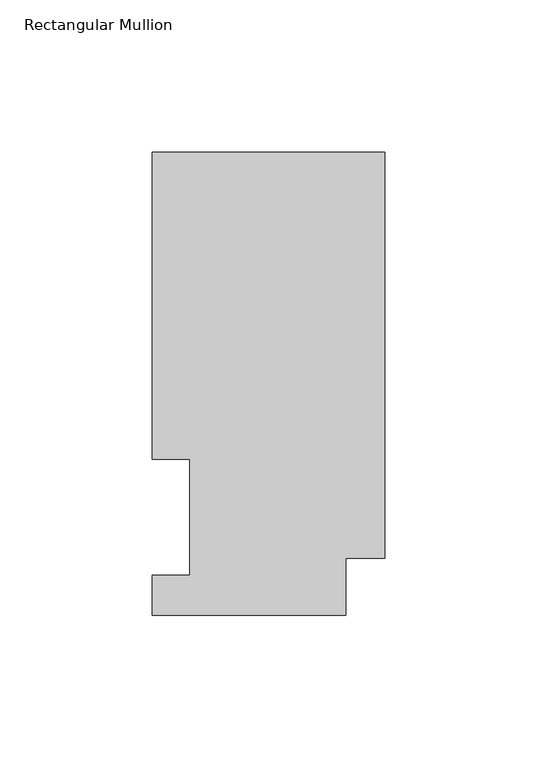
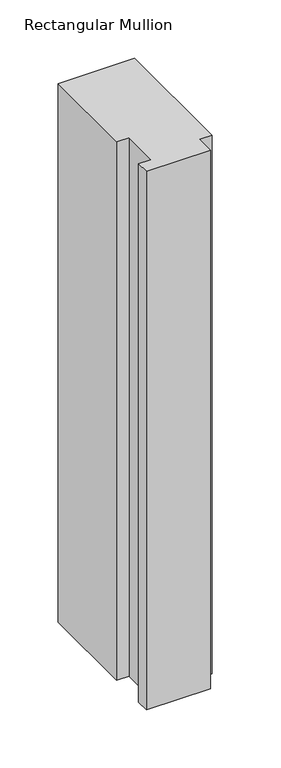
"""IFC4 building model written with IfcOpenShell, lengths in millimetres: member geometry, Rectangular Mullion."""

import ifcopenshell
import ifcopenshell.guid

model = None  # the IFC model being written
_history = None  # IfcOwnerHistory: only IFC2X3 demands one
_inside = {}  # id of a spatial element -> (the spatial element, [elements in it])
_under = {}  # id of a project, library or spatial element -> (it, [spatial elements below it])
_declared = {}  # id of a project -> (the project, [libraries it declares])
_typed = {}  # id of a type object -> (the type object, [elements of that type])
_made_of = {}  # id of a material, layer set ... -> (it, [elements and type objects made of it])


def new_model(schema):
    """Start an empty IFC model of exactly this schema.

    Asked for "IFC4X3", IfcOpenShell would pick the latest addendum, in which some entities
    have other attributes; the version numbers below select the first issue.
    IFC2X3 requires an IfcOwnerHistory on every rooted entity: one is made here for all.
    """
    global model, _history
    if schema == "IFC4X3":
        model = ifcopenshell.file(schema_version=(4, 3, 0, 0))
    else:
        model = ifcopenshell.file(schema=schema)
    _inside.clear()
    _under.clear()
    _declared.clear()
    _typed.clear()
    _made_of.clear()
    _history = None
    if model.schema == "IFC2X3":
        org = make("IfcOrganization", Name="unknown")
        user = make(
            "IfcPersonAndOrganization",
            ThePerson=make("IfcPerson", FamilyName="unknown"),
            TheOrganization=org,
        )
        app = make(
            "IfcApplication",
            ApplicationDeveloper=org,
            Version="unknown",
            ApplicationFullName="unknown",
            ApplicationIdentifier="unknown",
        )
        _history = make(
            "IfcOwnerHistory",
            OwningUser=user,
            OwningApplication=app,
            ChangeAction="ADDED",
            CreationDate=0,
        )
    return model


def make(cls, **values):
    """One entity of the class cls with the attributes given. An attribute that is None is left unset."""
    return model.create_entity(
        cls, **{name: value for name, value in values.items() if value is not None}
    )


def rooted(cls, **values):
    """An entity with a GlobalId (a new one), such as an element, a storey or a relation."""
    return make(cls, GlobalId=ifcopenshell.guid.new(), OwnerHistory=_history, **values)


def si_unit(unit_type, name, prefix=None):
    """IfcSIUnit, for example si_unit("LENGTHUNIT", "METRE", prefix="MILLI")."""
    return make("IfcSIUnit", UnitType=unit_type, Prefix=prefix, Name=name)


def assignment(units):
    """IfcUnitAssignment: the units of a project."""
    return None if units is None else make("IfcUnitAssignment", Units=units)


def point(xyz):
    """IfcCartesianPoint."""
    return None if xyz is None else make("IfcCartesianPoint", Coordinates=xyz)


def direction(xyz):
    """IfcDirection."""
    return None if xyz is None else make("IfcDirection", DirectionRatios=xyz)


def frame(location, z_axis=None, x_axis=None):
    """IfcAxis2Placement3D, a coordinate frame: its origin and axes. An axis left out is left unset."""
    return make(
        "IfcAxis2Placement3D",
        Location=point(location),
        Axis=direction(z_axis),
        RefDirection=direction(x_axis),
    )


def origin():
    """The frame at (0, 0, 0) with its axes left unset."""
    return frame((0.0, 0.0, 0.0))


def place(relative_to, where):
    """IfcLocalPlacement: puts the frame where relative to a parent placement (None: the world)."""
    return make(
        "IfcLocalPlacement", PlacementRelTo=relative_to, RelativePlacement=where
    )


def context(
    kind, dimensions, precision=None, world=None, true_north=None, identifier=None
):
    """IfcGeometricRepresentationContext, for example the 3D "Model" context."""
    return make(
        "IfcGeometricRepresentationContext",
        ContextIdentifier=identifier,
        ContextType=kind,
        CoordinateSpaceDimension=dimensions,
        Precision=precision,
        WorldCoordinateSystem=world,
        TrueNorth=true_north,
    )


def project(units=None, contexts=None):
    """IfcProject with its units and contexts."""
    return rooted(
        "IfcProject",
        Name="project",
        RepresentationContexts=contexts,
        UnitsInContext=assignment(units),
    )


def spatial(cls, under=None, at=None, **own):
    """A site, building, storey or space (cls), placed at a placement, below another one or the project."""
    s = rooted(cls, ObjectPlacement=at, **own)
    if under is not None:
        _under.setdefault(under.id(), (under, []))[1].append(s)
    return s


def polyline(points):
    """IfcPolyline through the points."""
    return make("IfcPolyline", Points=[point(p) for p in points])


def outline(outer, holes=None, kind="AREA"):
    """IfcArbitraryClosedProfileDef: a profile drawn as a closed curve; with holes, ...WithVoids."""
    if holes is None:
        return make("IfcArbitraryClosedProfileDef", ProfileType=kind, OuterCurve=outer)
    return make(
        "IfcArbitraryProfileDefWithVoids",
        ProfileType=kind,
        OuterCurve=outer,
        InnerCurves=holes,
    )


def extrude(swept, where, along, depth):
    """IfcExtrudedAreaSolid: the profile swept, set in the frame where, extruded along a direction by depth."""
    return make(
        "IfcExtrudedAreaSolid",
        SweptArea=swept,
        Position=where,
        ExtrudedDirection=direction(along),
        Depth=depth,
    )


def shape(context_of_items, identifier, shape_type, items):
    """IfcShapeRepresentation: the items that make up one representation, for example the "Body"."""
    return make(
        "IfcShapeRepresentation",
        ContextOfItems=context_of_items,
        RepresentationIdentifier=identifier,
        RepresentationType=shape_type,
        Items=items,
    )


def source(mapping_origin, context_of_items, identifier, shape_type, items):
    """IfcRepresentationMap: a shape defined once, which mapped items show again and again."""
    return make(
        "IfcRepresentationMap",
        MappingOrigin=mapping_origin,
        MappedRepresentation=shape(context_of_items, identifier, shape_type, items),
    )


def transform(
    local_origin,
    x_axis=None,
    y_axis=None,
    z_axis=None,
    scale=None,
    scale2=None,
    scale3=None,
    uniform=True,
):
    """IfcCartesianTransformationOperator3D, or its non-uniform kind. x_axis, y_axis, z_axis: its Axis1, 2, 3."""
    if uniform:
        return make(
            "IfcCartesianTransformationOperator3D",
            Axis1=direction(x_axis),
            Axis2=direction(y_axis),
            LocalOrigin=point(local_origin),
            Scale=scale,
            Axis3=direction(z_axis),
        )
    return make(
        "IfcCartesianTransformationOperator3DnonUniform",
        Axis1=direction(x_axis),
        Axis2=direction(y_axis),
        LocalOrigin=point(local_origin),
        Scale=scale,
        Axis3=direction(z_axis),
        Scale2=scale2,
        Scale3=scale3,
    )


def mapped(mapping_source, mapping_target):
    """IfcMappedItem: shows the shape of a source again, moved by a transform."""
    return make(
        "IfcMappedItem", MappingSource=mapping_source, MappingTarget=mapping_target
    )


def made_of(thing, what):
    """Note that an element or type object is made of a material, layer set ...; save() writes the relation."""
    if what is not None:
        _made_of.setdefault(what.id(), (what, []))[1].append(thing)
    return thing


def element(
    cls,
    number,
    at=None,
    inside=None,
    cuts=None,
    type_object=None,
    material=None,
    context=None,
    identifier="Body",
    shape_type=None,
    held_by="IfcProductDefinitionShape",
    body=None,
    shapes=None,
    **own,
):
    """One element of the class cls, such as IfcWall. Its Tag is "e" and its number.

    at: its placement. inside: the storey or other place that contains it. cuts: it is an
    opening in that element (IfcRelVoidsElement). A single representation is given by context,
    identifier, shape_type and body (its items); several are given by shapes. held_by: the class
    of the entity that holds the representations. save() writes the other relations.
    """
    e = rooted(cls, Tag="e%d" % number, ObjectPlacement=at, **own)
    if body is not None:
        shapes = [shape(context, identifier, shape_type, body)]
    if shapes is not None:
        e.Representation = make(held_by, Representations=shapes)
    if inside is not None:
        _inside.setdefault(inside.id(), (inside, []))[1].append(e)
    if cuts is not None:
        rooted(
            "IfcRelVoidsElement", RelatingBuildingElement=cuts, RelatedOpeningElement=e
        )
    if type_object is not None:
        _typed.setdefault(type_object.id(), (type_object, []))[1].append(e)
    return made_of(e, material)


def aggregate(whole, parts):
    """IfcRelAggregates: a whole, such as a stair, and the parts it consists of."""
    return rooted("IfcRelAggregates", RelatingObject=whole, RelatedObjects=parts)


def save(model, path):
    """Write the relations noted so far, then the file.

    IfcRelAggregates (storeys below a building ...), IfcRelContainedInSpatialStructure (elements
    in a storey), IfcRelDefinesByType, IfcRelAssociatesMaterial and IfcRelDeclares: one each for
    every whole, place, type object, material and project.
    """
    for whole, parts in _under.values():
        aggregate(whole, parts)
    for where, things in _inside.values():
        rooted(
            "IfcRelContainedInSpatialStructure",
            RelatedElements=things,
            RelatingStructure=where,
        )
    for kind, things in _typed.values():
        rooted("IfcRelDefinesByType", RelatedObjects=things, RelatingType=kind)
    for what, things in _made_of.values():
        rooted("IfcRelAssociatesMaterial", RelatedObjects=things, RelatingMaterial=what)
    for by, libraries in _declared.values():
        rooted("IfcRelDeclares", RelatingContext=by, RelatedDefinitions=libraries)
    model.write(path)


def rectangular_mullion_ff895f1d(model_context):
    return source(origin(), model_context, "Body", "SweptSolid", [
        extrude(outline(polyline([(-76.2, 151.9816937), (0.0, 151.9816937), (0.0, 18.7332937), (-12.7, 18.7332937), (-12.7, 0.0134937), (-76.2, 0.0134937), (-76.2, 13.1960938), (-63.8581605, 13.1960937), (-63.8581605, 51.2960938), (-76.2, 51.2960938), (-76.2, 151.9816937)])), frame((0.0, 0.0, -565.15), z_axis=(0.0, 0.0, 1.0), x_axis=(1.0, 0.0, 0.0)), (0.0, 0.0, 1.0), 565.15),
    ])


if __name__ == "__main__":
    model = new_model("IFC4")
    model_context = context("Model", 3, world=origin())
    ifc_project = project(units=[si_unit("LENGTHUNIT", "METRE", prefix="MILLI")], contexts=[model_context])
    site = spatial("IfcSite", under=ifc_project)
    building = spatial("IfcBuilding", under=site)
    placement = place(None, origin())
    rectangular_mullion_shape = rectangular_mullion_ff895f1d(model_context)
    element("IfcMember", 1, ObjectType="Rectangular Mullion", at=placement, inside=building, context=model_context, shape_type="MappedRepresentation", body=[
        mapped(rectangular_mullion_shape, transform((0.0, 0.0, 0.0), x_axis=(1.0, 0.0, 0.0), y_axis=(0.0, 1.0, 0.0), z_axis=(0.0, 0.0, 1.0))),
    ])
    save(model, "model.ifc")
